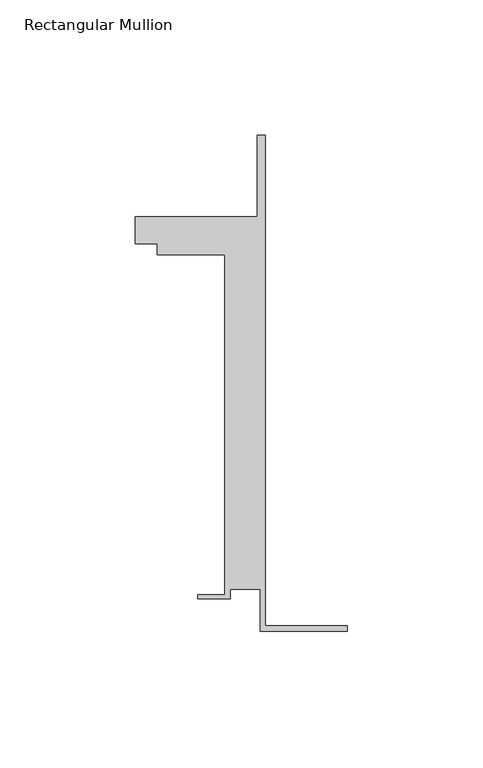
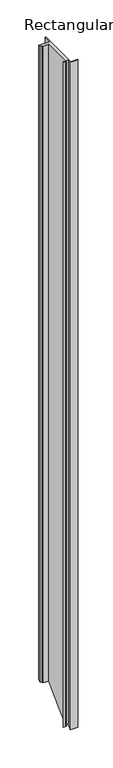
"""IFC4 building model written with IfcOpenShell, lengths in millimetres: member geometry, Rectangular Mullion."""

import ifcopenshell
import ifcopenshell.guid

model = None  # the IFC model being written
_history = None  # IfcOwnerHistory: only IFC2X3 demands one
_inside = {}  # id of a spatial element -> (the spatial element, [elements in it])
_under = {}  # id of a project, library or spatial element -> (it, [spatial elements below it])
_declared = {}  # id of a project -> (the project, [libraries it declares])
_typed = {}  # id of a type object -> (the type object, [elements of that type])
_made_of = {}  # id of a material, layer set ... -> (it, [elements and type objects made of it])


def new_model(schema):
    """Start an empty IFC model of exactly this schema.

    Asked for "IFC4X3", IfcOpenShell would pick the latest addendum, in which some entities
    have other attributes; the version numbers below select the first issue.
    IFC2X3 requires an IfcOwnerHistory on every rooted entity: one is made here for all.
    """
    global model, _history
    if schema == "IFC4X3":
        model = ifcopenshell.file(schema_version=(4, 3, 0, 0))
    else:
        model = ifcopenshell.file(schema=schema)
    _inside.clear()
    _under.clear()
    _declared.clear()
    _typed.clear()
    _made_of.clear()
    _history = None
    if model.schema == "IFC2X3":
        org = make("IfcOrganization", Name="unknown")
        user = make(
            "IfcPersonAndOrganization",
            ThePerson=make("IfcPerson", FamilyName="unknown"),
            TheOrganization=org,
        )
        app = make(
            "IfcApplication",
            ApplicationDeveloper=org,
            Version="unknown",
            ApplicationFullName="unknown",
            ApplicationIdentifier="unknown",
        )
        _history = make(
            "IfcOwnerHistory",
            OwningUser=user,
            OwningApplication=app,
            ChangeAction="ADDED",
            CreationDate=0,
        )
    return model


def make(cls, **values):
    """One entity of the class cls with the attributes given. An attribute that is None is left unset."""
    return model.create_entity(
        cls, **{name: value for name, value in values.items() if value is not None}
    )


def rooted(cls, **values):
    """An entity with a GlobalId (a new one), such as an element, a storey or a relation."""
    return make(cls, GlobalId=ifcopenshell.guid.new(), OwnerHistory=_history, **values)


def si_unit(unit_type, name, prefix=None):
    """IfcSIUnit, for example si_unit("LENGTHUNIT", "METRE", prefix="MILLI")."""
    return make("IfcSIUnit", UnitType=unit_type, Prefix=prefix, Name=name)


def assignment(units):
    """IfcUnitAssignment: the units of a project."""
    return None if units is None else make("IfcUnitAssignment", Units=units)


def point(xyz):
    """IfcCartesianPoint."""
    return None if xyz is None else make("IfcCartesianPoint", Coordinates=xyz)


def direction(xyz):
    """IfcDirection."""
    return None if xyz is None else make("IfcDirection", DirectionRatios=xyz)


def frame(location, z_axis=None, x_axis=None):
    """IfcAxis2Placement3D, a coordinate frame: its origin and axes. An axis left out is left unset."""
    return make(
        "IfcAxis2Placement3D",
        Location=point(location),
        Axis=direction(z_axis),
        RefDirection=direction(x_axis),
    )


def origin():
    """The frame at (0, 0, 0) with its axes left unset."""
    return frame((0.0, 0.0, 0.0))


def place(relative_to, where):
    """IfcLocalPlacement: puts the frame where relative to a parent placement (None: the world)."""
    return make(
        "IfcLocalPlacement", PlacementRelTo=relative_to, RelativePlacement=where
    )


def context(
    kind, dimensions, precision=None, world=None, true_north=None, identifier=None
):
    """IfcGeometricRepresentationContext, for example the 3D "Model" context."""
    return make(
        "IfcGeometricRepresentationContext",
        ContextIdentifier=identifier,
        ContextType=kind,
        CoordinateSpaceDimension=dimensions,
        Precision=precision,
        WorldCoordinateSystem=world,
        TrueNorth=true_north,
    )


def project(units=None, contexts=None):
    """IfcProject with its units and contexts."""
    return rooted(
        "IfcProject",
        Name="project",
        RepresentationContexts=contexts,
        UnitsInContext=assignment(units),
    )


def spatial(cls, under=None, at=None, **own):
    """A site, building, storey or space (cls), placed at a placement, below another one or the project."""
    s = rooted(cls, ObjectPlacement=at, **own)
    if under is not None:
        _under.setdefault(under.id(), (under, []))[1].append(s)
    return s


def faces_of(points, faces, orient=None, outer=None):
    """IfcFace entities. A face is a list of loops; a loop is a list of indices into points, from 0.

    orient and outer hold one flag for each loop. By default every Orientation is true, the
    first loop of a face is its IfcFaceOuterBound and the others are IfcFaceBound.
    """
    made = []
    for i, loops in enumerate(faces):
        bounds = []
        for j, loop in enumerate(loops):
            is_outer = j == 0 if outer is None else outer[i][j]
            bounds.append(
                make(
                    "IfcFaceOuterBound" if is_outer else "IfcFaceBound",
                    Bound=make("IfcPolyLoop", Polygon=[points[k] for k in loop]),
                    Orientation=True if orient is None else orient[i][j],
                )
            )
        made.append(make("IfcFace", Bounds=bounds))
    return made


def faceted_brep(points, faces, orient=None, outer=None, voids=None):
    """IfcFacetedBrep: a solid bounded by flat faces; with voids (closed shells), ...WithVoids."""
    shared = [point(p) for p in points]
    hull = make("IfcClosedShell", CfsFaces=faces_of(shared, faces, orient, outer))
    if voids is None:
        return make("IfcFacetedBrep", Outer=hull)
    return make(
        "IfcFacetedBrepWithVoids",
        Outer=hull,
        Voids=[
            make(cls, CfsFaces=faces_of(shared, fs, o, b)) for cls, fs, o, b in voids
        ],
    )


def shape(context_of_items, identifier, shape_type, items):
    """IfcShapeRepresentation: the items that make up one representation, for example the "Body"."""
    return make(
        "IfcShapeRepresentation",
        ContextOfItems=context_of_items,
        RepresentationIdentifier=identifier,
        RepresentationType=shape_type,
        Items=items,
    )


def source(mapping_origin, context_of_items, identifier, shape_type, items):
    """IfcRepresentationMap: a shape defined once, which mapped items show again and again."""
    return make(
        "IfcRepresentationMap",
        MappingOrigin=mapping_origin,
        MappedRepresentation=shape(context_of_items, identifier, shape_type, items),
    )


def transform(
    local_origin,
    x_axis=None,
    y_axis=None,
    z_axis=None,
    scale=None,
    scale2=None,
    scale3=None,
    uniform=True,
):
    """IfcCartesianTransformationOperator3D, or its non-uniform kind. x_axis, y_axis, z_axis: its Axis1, 2, 3."""
    if uniform:
        return make(
            "IfcCartesianTransformationOperator3D",
            Axis1=direction(x_axis),
            Axis2=direction(y_axis),
            LocalOrigin=point(local_origin),
            Scale=scale,
            Axis3=direction(z_axis),
        )
    return make(
        "IfcCartesianTransformationOperator3DnonUniform",
        Axis1=direction(x_axis),
        Axis2=direction(y_axis),
        LocalOrigin=point(local_origin),
        Scale=scale,
        Axis3=direction(z_axis),
        Scale2=scale2,
        Scale3=scale3,
    )


def mapped(mapping_source, mapping_target):
    """IfcMappedItem: shows the shape of a source again, moved by a transform."""
    return make(
        "IfcMappedItem", MappingSource=mapping_source, MappingTarget=mapping_target
    )


def made_of(thing, what):
    """Note that an element or type object is made of a material, layer set ...; save() writes the relation."""
    if what is not None:
        _made_of.setdefault(what.id(), (what, []))[1].append(thing)
    return thing


def element(
    cls,
    number,
    at=None,
    inside=None,
    cuts=None,
    type_object=None,
    material=None,
    context=None,
    identifier="Body",
    shape_type=None,
    held_by="IfcProductDefinitionShape",
    body=None,
    shapes=None,
    **own,
):
    """One element of the class cls, such as IfcWall. Its Tag is "e" and its number.

    at: its placement. inside: the storey or other place that contains it. cuts: it is an
    opening in that element (IfcRelVoidsElement). A single representation is given by context,
    identifier, shape_type and body (its items); several are given by shapes. held_by: the class
    of the entity that holds the representations. save() writes the other relations.
    """
    e = rooted(cls, Tag="e%d" % number, ObjectPlacement=at, **own)
    if body is not None:
        shapes = [shape(context, identifier, shape_type, body)]
    if shapes is not None:
        e.Representation = make(held_by, Representations=shapes)
    if inside is not None:
        _inside.setdefault(inside.id(), (inside, []))[1].append(e)
    if cuts is not None:
        rooted(
            "IfcRelVoidsElement", RelatingBuildingElement=cuts, RelatedOpeningElement=e
        )
    if type_object is not None:
        _typed.setdefault(type_object.id(), (type_object, []))[1].append(e)
    return made_of(e, material)


def aggregate(whole, parts):
    """IfcRelAggregates: a whole, such as a stair, and the parts it consists of."""
    return rooted("IfcRelAggregates", RelatingObject=whole, RelatedObjects=parts)


def save(model, path):
    """Write the relations noted so far, then the file.

    IfcRelAggregates (storeys below a building ...), IfcRelContainedInSpatialStructure (elements
    in a storey), IfcRelDefinesByType, IfcRelAssociatesMaterial and IfcRelDeclares: one each for
    every whole, place, type object, material and project.
    """
    for whole, parts in _under.values():
        aggregate(whole, parts)
    for where, things in _inside.values():
        rooted(
            "IfcRelContainedInSpatialStructure",
            RelatedElements=things,
            RelatingStructure=where,
        )
    for kind, things in _typed.values():
        rooted("IfcRelDefinesByType", RelatedObjects=things, RelatingType=kind)
    for what, things in _made_of.values():
        rooted("IfcRelAssociatesMaterial", RelatedObjects=things, RelatingMaterial=what)
    for by, libraries in _declared.values():
        rooted("IfcRelDeclares", RelatingContext=by, RelatedDefinitions=libraries)
    model.write(path)


def rectangular_mullion_e4f85f6c(model_context):
    return source(origin(), model_context, "Body", "Brep", [
        faceted_brep([(-32.1465839, -41.25, 0.0), (0.0, -41.25, 0.0), (0.0, -39.25, 0.0), (-30.1465839, -39.25, 0.0), (-30.1465839, 141.75, 0.0), (-33.1466122, 141.75, 0.0), (-33.1466122, 111.75, 0.0), (-78.1466122, 111.75, 0.0), (-78.1466122, 101.75, 0.0), (-70.1466122, 101.75, 0.0), (-70.1466122, 97.75, 0.0), (-45.1465839, 97.75, 0.0), (-45.1465839, -27.75, 0.0), (-55.1465839, -27.75, 0.0), (-55.1465839, -29.25, 0.0), (-43.1465839, -29.25, 0.0), (-43.1465839, -25.75, 0.0), (-32.1465839, -25.75, 0.0), (-32.1465839, -41.25, -3011.6231001), (0.0, -41.25, -3011.6231001), (0.0, -39.25, -3009.6231001), (-30.1465839, -39.25, -3009.6231001), (-30.1465839, 141.75, -2828.6231001), (-33.1466122, 141.75, -2828.6231001), (-33.1466122, 111.75, -2858.6231001), (-78.1466122, 111.75, -2858.6231001), (-78.1466122, 101.75, -2868.6231001), (-70.1466122, 101.75, -2868.6231001), (-70.1466122, 97.75, -2872.6231001), (-45.1465839, 97.75, -2872.6231001), (-45.1465839, -27.75, -2998.1231001), (-55.1465839, -27.75, -2998.1231001), (-55.1465839, -29.25, -2999.6231001), (-43.1465839, -29.25, -2999.6231001), (-43.1465839, -25.75, -2996.1231001), (-32.1465839, -25.75, -2996.1231001)], [[[0, 1, 2, 3, 4, 5, 6, 7, 8, 9, 10, 11, 12, 13, 14, 15, 16, 17]], [[1, 0, 18, 19]], [[2, 1, 19, 20]], [[3, 2, 20, 21]], [[4, 3, 21, 22]], [[5, 4, 22, 23]], [[6, 5, 23, 24]], [[7, 6, 24, 25]], [[8, 7, 25, 26]], [[9, 8, 26, 27]], [[10, 9, 27, 28]], [[11, 10, 28, 29]], [[12, 11, 29, 30]], [[13, 12, 30, 31]], [[14, 13, 31, 32]], [[15, 14, 32, 33]], [[16, 15, 33, 34]], [[17, 16, 34, 35]], [[0, 17, 35, 18]], [[18, 35, 34, 33, 32, 31, 30, 29, 28, 27, 26, 25, 24, 23, 22, 21, 20, 19]]]),
    ])


if __name__ == "__main__":
    model = new_model("IFC4")
    model_context = context("Model", 3, world=origin())
    ifc_project = project(units=[si_unit("LENGTHUNIT", "METRE", prefix="MILLI")], contexts=[model_context])
    site = spatial("IfcSite", under=ifc_project)
    building = spatial("IfcBuilding", under=site)
    placement = place(None, origin())
    rectangular_mullion_shape = rectangular_mullion_e4f85f6c(model_context)
    element("IfcMember", 1, ObjectType="Rectangular Mullion", at=placement, inside=building, context=model_context, shape_type="MappedRepresentation", body=[
        mapped(rectangular_mullion_shape, transform((0.0, 0.0, 0.0), x_axis=(1.0, 0.0, 0.0), y_axis=(0.0, 1.0, 0.0), z_axis=(0.0, 0.0, 1.0))),
    ])
    save(model, "model.ifc")
